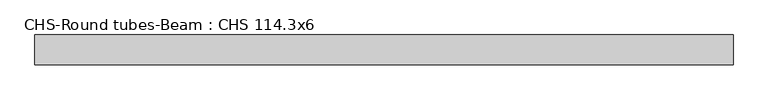
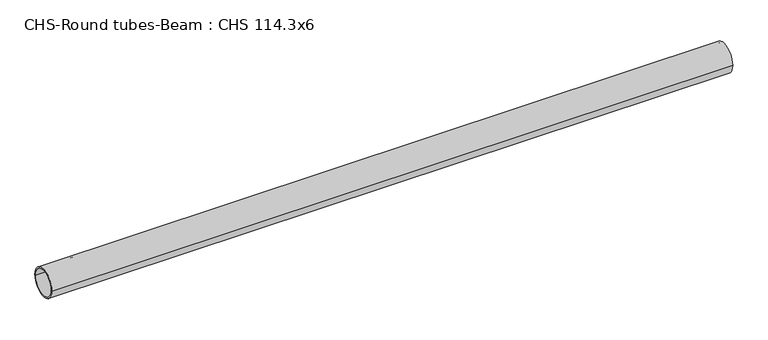
"""IFC4 building model written with IfcOpenShell, lengths in millimetres: beam geometry, CHS-Round tubes-Beam : CHS 114.3x6."""

from ifc_helpers import new_model, si_unit, point, frame, origin, origin_2d, place, context, project, spatial, circle_curve, trimmed, segment, composite_curve, outline, extrude, source, transform, mapped, element, save


def chs_round_tubes_beam_chs_114_3x6_c2a81442(model_context):
    return source(origin(), model_context, "Body", "SweptSolid", [
        extrude(outline(composite_curve([segment(trimmed(circle_curve(origin_2d(), 57.15), [point((57.15, 0.0))], [point((-57.15, 0.0))], False, "CARTESIAN"), True, "CONTINUOUS"), segment(trimmed(circle_curve(origin_2d(), 57.15), [point((-57.15, 0.0))], [point((57.15, 0.0))], False, "CARTESIAN"), True, "CONTINUOUS")], self_intersect=False), holes=[composite_curve([segment(trimmed(circle_curve(origin_2d(), 51.15), [point((51.15, 0.0))], [point((-51.15, 0.0))], True, "CARTESIAN"), True, "CONTINUOUS"), segment(trimmed(circle_curve(origin_2d(), 51.15), [point((-51.15, 0.0))], [point((51.15, 0.0))], True, "CARTESIAN"), True, "CONTINUOUS")], self_intersect=False)]), frame((-1331.9782636, 0.0, 0.0), z_axis=(1.0, 0.0, 0.0), x_axis=(0.0, 1.0, 0.0)), (0.0, 0.0, 1.0), 2674.8255073),
    ])


if __name__ == "__main__":
    model = new_model("IFC4")
    model_context = context("Model", 3, world=origin())
    ifc_project = project(units=[si_unit("LENGTHUNIT", "METRE", prefix="MILLI")], contexts=[model_context])
    site = spatial("IfcSite", under=ifc_project)
    building = spatial("IfcBuilding", under=site)
    placement = place(None, origin())
    chs_round_tubes_beam_chs_114_3x6_shape = chs_round_tubes_beam_chs_114_3x6_c2a81442(model_context)
    element("IfcBeam", 1, ObjectType="CHS-Round tubes-Beam : CHS 114.3x6", at=placement, inside=building, context=model_context, shape_type="MappedRepresentation", body=[
        mapped(chs_round_tubes_beam_chs_114_3x6_shape, transform((0.0, 0.0, 0.0), x_axis=(1.0, 0.0, 0.0), y_axis=(0.0, 1.0, 0.0), z_axis=(0.0, 0.0, 1.0))),
    ])
    save(model, "model.ifc")
